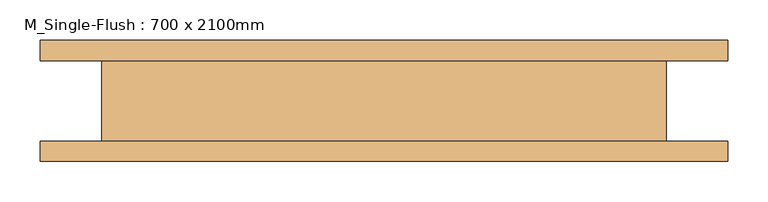
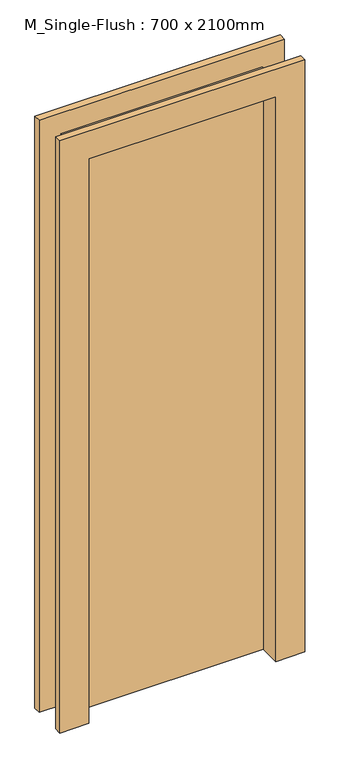
"""IFC4 building model written with IfcOpenShell, lengths in millimetres: door geometry, M_Single-Flush : 700 x 2100mm."""

from ifc_helpers import new_model, si_unit, origin, origin_with_axes, place, context, project, spatial, polyline, outline, extrude, faceted_brep, source, transform, mapped, element, save


def m_single_flush_700_x_2100mm_9efe3a3d(model_context):
    return source(origin(), model_context, "Body", "SolidModel", [
        faceted_brep([(426.0, -75.0, 2176.0), (-426.0, -75.0, 2176.0), (-426.0, -75.0, 0.0), (-325.0, -75.0, 0.0), (-325.0, -75.0, 2075.0), (325.0, -75.0, 2075.0), (325.0, -75.0, 0.0), (426.0, -75.0, 0.0), (426.0, -50.0, 2176.0), (426.0, -50.0, 0.0), (350.0, -50.0, 0.0), (350.0, -50.0, 2100.0), (-350.0, -50.0, 2100.0), (-350.0, -50.0, 0.0), (-426.0, -50.0, 0.0), (-426.0, -50.0, 2176.0), (-350.0, 50.0, 0.0), (-426.0, 50.0, 0.0), (-426.0, 75.0, 0.0), (-325.0, 75.0, 0.0), (325.0, 75.0, 0.0), (426.0, 75.0, 0.0), (426.0, 50.0, 0.0), (350.0, 50.0, 0.0), (325.0, 75.0, 2075.0), (-325.0, 75.0, 2075.0), (-426.0, 75.0, 2176.0), (426.0, 75.0, 2176.0), (350.0, 50.0, 2100.0), (-350.0, 50.0, 2100.0), (-426.0, 50.0, 2176.0), (426.0, 50.0, 2176.0)], [[[0, 1, 2, 3, 4, 5, 6, 7]], [[8, 9, 10, 11, 12, 13, 14, 15]], [[1, 0, 8, 15]], [[2, 1, 15, 14]], [[14, 13, 16, 17, 18, 19, 3, 2]], [[10, 9, 7, 6, 20, 21, 22, 23]], [[0, 7, 9, 8]], [[21, 20, 24, 25, 19, 18, 26, 27]], [[12, 11, 28, 29]], [[13, 12, 29, 16]], [[4, 3, 19, 25]], [[5, 4, 25, 24]], [[6, 5, 24, 20]], [[11, 10, 23, 28]], [[30, 17, 16, 29, 28, 23, 22, 31]], [[27, 26, 30, 31]], [[21, 27, 31, 22]], [[26, 18, 17, 30]]]),
        extrude(outline(polyline([(350.0, -1.0), (-350.0, -1.0), (-350.0, 50.0), (350.0, 50.0), (350.0, -1.0)])), origin_with_axes(), (0.0, 0.0, 1.0), 2100.0),
    ])


if __name__ == "__main__":
    model = new_model("IFC4")
    model_context = context("Model", 3, world=origin())
    ifc_project = project(units=[si_unit("LENGTHUNIT", "METRE", prefix="MILLI")], contexts=[model_context])
    site = spatial("IfcSite", under=ifc_project)
    building = spatial("IfcBuilding", under=site)
    placement = place(None, origin())
    m_single_flush_700_x_2100mm_shape = m_single_flush_700_x_2100mm_9efe3a3d(model_context)
    element("IfcDoor", 1, ObjectType="M_Single-Flush : 700 x 2100mm", at=placement, inside=building, context=model_context, shape_type="MappedRepresentation", body=[
        mapped(m_single_flush_700_x_2100mm_shape, transform((0.0, 0.0, 0.0), x_axis=(1.0, 0.0, 0.0), y_axis=(0.0, 1.0, 0.0), z_axis=(0.0, 0.0, 1.0))),
    ])
    save(model, "model.ifc")
